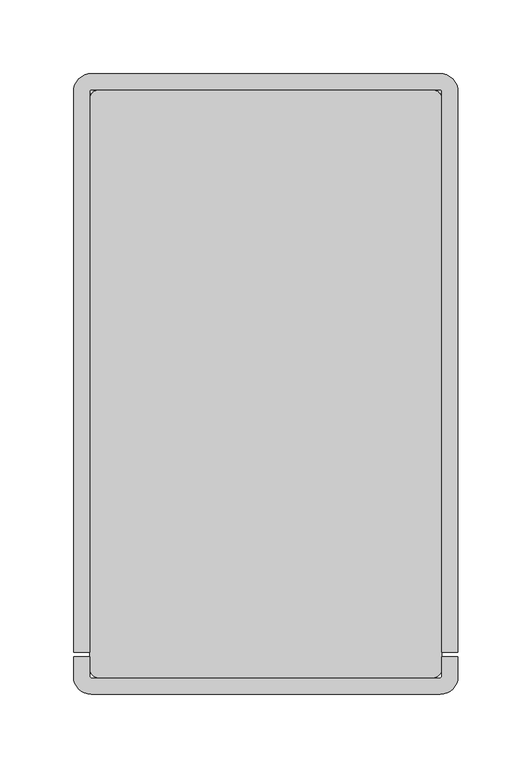
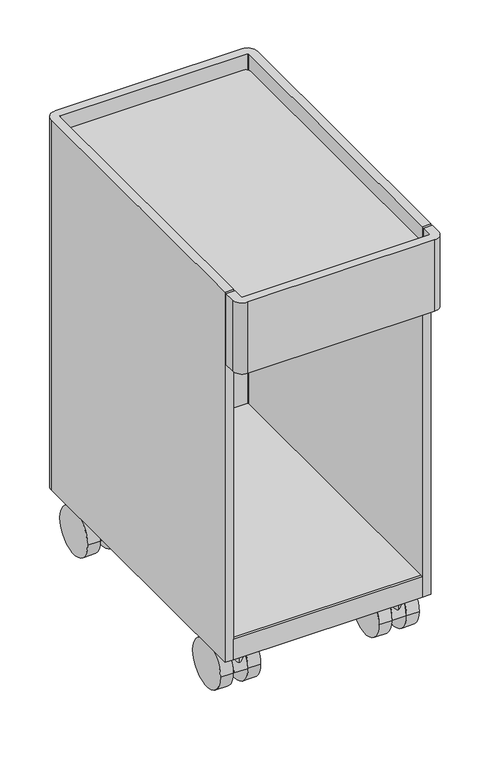
"""IFC4 building model written with IfcOpenShell, lengths in millimetres: furniture geometry."""

from ifc_helpers import new_model, si_unit, point, frame, frame_2d, origin, place, context, project, spatial, polyline, circle_curve, trimmed, segment, composite_curve, outline, extrude, source, transform, mapped, element, save
from ifc_brep_helpers import plane_surface, cylinder_surface, revolved_surface, advanced_brep


def furniture_9a9b9d6a(model_context):
    return source(origin(), model_context, "Body", "SolidModel", [
        advanced_brep(
        [(230.8338534, 392.1080568, 81.9865934), (230.8338534, 384.3838281, 81.9865934), (230.8338534, 388.2459425, 81.9865934), (230.8338534, 396.2469802, 60.9600009), (230.8338534, 380.2449047, 60.9600009), (230.8338534, 396.2469802, 30.4800005), (230.8338534, 380.2449047, 30.4800005), (230.8338534, 388.2459425, 30.4800005)],
        [
            (0, 1, circle_curve(frame((230.8338534, 388.2459425, 81.9865934), z_axis=(0.0, 0.0, 1.0), x_axis=(0.0, -1.0, 0.0)), 3.8621143)),
            (1, 2),
            (2, 0),
            (1, 0, circle_curve(frame((230.8338534, 388.2459425, 81.9865934), z_axis=(0.0, 0.0, 1.0), x_axis=(0.0, -1.0, 0.0)), 3.8621143)),
            (0, 3),
            (3, 4, circle_curve(frame((230.8338534, 388.2459425, 60.9600009), z_axis=(0.0, 0.0, 1.0), x_axis=(0.0, -1.0, 0.0)), 8.0010378)),
            (4, 1),
            (4, 3, circle_curve(frame((230.8338534, 388.2459425, 60.9600009), z_axis=(0.0, 0.0, 1.0), x_axis=(0.0, -1.0, 0.0)), 8.0010378)),
            (3, 5),
            (5, 6, circle_curve(frame((230.8338534, 388.2459425, 30.4800005), z_axis=(0.0, 0.0, 1.0), x_axis=(0.0, -1.0, 0.0)), 8.0010378)),
            (6, 4),
            (6, 5, circle_curve(frame((230.8338534, 388.2459425, 30.4800005), z_axis=(0.0, 0.0, 1.0), x_axis=(0.0, -1.0, 0.0)), 8.0010378)),
            (5, 7),
            (7, 6),
        ],
        [
            plane_surface(frame((230.8338534, 388.2459425, 81.9865934), z_axis=(0.0, 0.0, 1.0), x_axis=(0.0, -1.0, 0.0))),
            revolved_surface(polyline([(230.8338534, 384.3838281, 81.9865934), (230.8338534, 380.2449047, 60.9600009)]), (230.8338534, 388.2459425, 64.8312081), (0.0, 0.0, -1.0)),
            cylinder_surface(frame((230.8338534, 388.2459425, 64.8312081), z_axis=(0.0, 0.0, -1.0), x_axis=(0.0, -1.0, 0.0)), 8.0010378),
            plane_surface(frame((230.8338534, 388.2459425, 30.4800005), z_axis=(0.0, 0.0, -1.0), x_axis=(0.0, -1.0, 0.0))),
        ],
        [
            (0, [[1, 2, 3]]),
            (0, [[-2, 4, -3]]),
            (1, [[-1, 5, 6, 7]]),
            (1, [[-4, -7, 8, -5]]),
            (2, [[-6, 9, 10, 11]]),
            (2, [[-8, -11, 12, -9]]),
            (3, [[-10, 13, 14]]),
            (3, [[-12, -14, -13]]),
        ],
    ),
        extrude(outline(composite_curve([segment(trimmed(circle_curve(frame_2d((367.9259255, 30.4800005)), 30.4800005), [point((337.445925, 30.4800005))], [point((398.405926, 30.4800005))], False, "CARTESIAN"), True, "CONTINUOUS"), segment(trimmed(circle_curve(frame_2d((367.9259255, 30.4800005)), 30.4800005), [point((398.405926, 30.4800005))], [point((337.445925, 30.4800005))], False, "CARTESIAN"), True, "CONTINUOUS")], self_intersect=False)), frame((240.2318535, 0.0, 0.0), z_axis=(1.0, 0.0, 0.0), x_axis=(0.0, 1.0, 0.0)), (0.0, 0.0, 1.0), 16.0020006),
        extrude(outline(composite_curve([segment(trimmed(circle_curve(frame_2d((367.9259255, 30.4800005)), 30.4800005), [point((337.445925, 30.4800005))], [point((398.405926, 30.4800005))], False, "CARTESIAN"), True, "CONTINUOUS"), segment(trimmed(circle_curve(frame_2d((367.9259255, 30.4800005)), 30.4800005), [point((398.405926, 30.4800005))], [point((337.445925, 30.4800005))], False, "CARTESIAN"), True, "CONTINUOUS")], self_intersect=False)), frame((205.4338526, 0.0, 0.0), z_axis=(1.0, 0.0, 0.0), x_axis=(0.0, 1.0, 0.0)), (0.0, 0.0, 1.0), 16.0020008),
        extrude(outline(composite_curve([segment(trimmed(circle_curve(frame_2d((367.9259255, 30.4800005)), 30.4800005), [point((337.445925, 30.4800005))], [point((398.405926, 30.4800005))], False, "CARTESIAN"), True, "CONTINUOUS"), segment(polyline([(398.405926, 30.4800005), (337.445925, 30.4800005)]), True, "CONTINUOUS")], self_intersect=False)), frame((222.2935172, 0.0, 0.0), z_axis=(1.0, 0.0, 0.0), x_axis=(0.0, 1.0, 0.0)), (0.0, 0.0, 1.0), 17.0806723),
        advanced_brep(
        [(230.8338534, 56.2728064, 81.9865934), (230.8338534, 60.1349207, 81.9865934), (230.8338534, 52.410692, 81.9865934), (230.8338534, 64.2738442, 60.9600009), (230.8338534, 48.2717686, 60.9600009), (230.8338534, 64.2738442, 30.4800005), (230.8338534, 48.2717686, 30.4800005), (230.8338534, 56.2728064, 30.4800005)],
        [
            (0, 1),
            (1, 2, circle_curve(frame((230.8338534, 56.2728064, 81.9865934), z_axis=(0.0, 0.0, 1.0), x_axis=(0.0, 1.0, 0.0)), 3.8621143)),
            (2, 0),
            (2, 1, circle_curve(frame((230.8338534, 56.2728064, 81.9865934), z_axis=(0.0, 0.0, 1.0), x_axis=(0.0, 1.0, 0.0)), 3.8621143)),
            (1, 3),
            (3, 4, circle_curve(frame((230.8338534, 56.2728064, 60.9600009), z_axis=(0.0, 0.0, 1.0), x_axis=(0.0, 1.0, 0.0)), 8.0010378)),
            (4, 2),
            (4, 3, circle_curve(frame((230.8338534, 56.2728064, 60.9600009), z_axis=(0.0, 0.0, 1.0), x_axis=(0.0, 1.0, 0.0)), 8.0010378)),
            (3, 5),
            (5, 6, circle_curve(frame((230.8338534, 56.2728064, 30.4800005), z_axis=(0.0, 0.0, 1.0), x_axis=(0.0, 1.0, 0.0)), 8.0010378)),
            (6, 4),
            (6, 5, circle_curve(frame((230.8338534, 56.2728064, 30.4800005), z_axis=(0.0, 0.0, 1.0), x_axis=(0.0, 1.0, 0.0)), 8.0010378)),
            (5, 7),
            (7, 6),
        ],
        [
            plane_surface(frame((230.8338534, 56.2728064, 81.9865934), z_axis=(0.0, 0.0, 1.0), x_axis=(0.0, 1.0, 0.0))),
            revolved_surface(polyline([(230.8338534, 64.2738442, 60.9600009), (230.8338534, 60.1349207, 81.9865934)]), (230.8338534, 56.2728064, 64.8312081), (0.0, 0.0, 1.0)),
            cylinder_surface(frame((230.8338534, 56.2728064, 64.8312081), z_axis=(0.0, 0.0, 1.0), x_axis=(0.0, 1.0, 0.0)), 8.0010378),
            plane_surface(frame((230.8338534, 56.2728064, 30.4800005), z_axis=(0.0, 0.0, -1.0), x_axis=(0.0, 1.0, 0.0))),
        ],
        [
            (0, [[1, 2, 3]]),
            (0, [[-1, -3, 4]]),
            (1, [[-2, 5, 6, 7]]),
            (1, [[-4, -7, 8, -5]]),
            (2, [[-6, 9, 10, 11]]),
            (2, [[-8, -11, 12, -9]]),
            (3, [[-10, 13, 14]]),
            (3, [[-12, -14, -13]]),
        ],
    ),
        extrude(outline(composite_curve([segment(trimmed(circle_curve(frame_2d((76.5928234, 30.4800005)), 30.4800005), [point((46.1128229, 30.4800005))], [point((107.0728238, 30.4800005))], False, "CARTESIAN"), True, "CONTINUOUS"), segment(trimmed(circle_curve(frame_2d((76.5928234, 30.4800005)), 30.4800005), [point((107.0728238, 30.4800005))], [point((46.1128229, 30.4800005))], False, "CARTESIAN"), True, "CONTINUOUS")], self_intersect=False)), frame((240.2318535, 0.0, 0.0), z_axis=(1.0, 0.0, 0.0), x_axis=(0.0, 1.0, 0.0)), (0.0, 0.0, 1.0), 16.0020006),
        extrude(outline(composite_curve([segment(trimmed(circle_curve(frame_2d((76.5928234, 30.4800005)), 30.4800005), [point((107.0728238, 30.4800005))], [point((46.1128229, 30.4800005))], False, "CARTESIAN"), True, "CONTINUOUS"), segment(trimmed(circle_curve(frame_2d((76.5928234, 30.4800005)), 30.4800005), [point((46.1128229, 30.4800005))], [point((107.0728238, 30.4800005))], False, "CARTESIAN"), True, "CONTINUOUS")], self_intersect=False)), frame((205.4338526, 0.0, 0.0), z_axis=(1.0, 0.0, 0.0), x_axis=(0.0, 1.0, 0.0)), (0.0, 0.0, 1.0), 16.0020008),
        extrude(outline(composite_curve([segment(trimmed(circle_curve(frame_2d((76.5928234, 30.4800005)), 30.4800005), [point((46.1128229, 30.4800005))], [point((107.0728238, 30.4800005))], False, "CARTESIAN"), True, "CONTINUOUS"), segment(polyline([(107.0728238, 30.4800005), (46.1128229, 30.4800005)]), True, "CONTINUOUS")], self_intersect=False)), frame((222.2935172, 0.0, 0.0), z_axis=(1.0, 0.0, 0.0), x_axis=(0.0, 1.0, 0.0)), (0.0, 0.0, 1.0), 17.0806723),
        advanced_brep(
        [(30.1661494, 388.2459425, 81.9865934), (30.1661494, 384.3838281, 81.9865934), (30.1661494, 392.1080568, 81.9865934), (30.1661494, 380.2449047, 60.9600009), (30.1661494, 396.2469802, 60.9600009), (30.1661494, 380.2449047, 30.4800005), (30.1661494, 396.2469802, 30.4800005), (30.1661494, 388.2459425, 30.4800005)],
        [
            (0, 1),
            (1, 2, circle_curve(frame((30.1661494, 388.2459425, 81.9865934), z_axis=(0.0, 0.0, 1.0), x_axis=(0.0, -1.0, 0.0)), 3.8621143)),
            (2, 0),
            (2, 1, circle_curve(frame((30.1661494, 388.2459425, 81.9865934), z_axis=(0.0, 0.0, 1.0), x_axis=(0.0, -1.0, 0.0)), 3.8621143)),
            (1, 3),
            (3, 4, circle_curve(frame((30.1661494, 388.2459425, 60.9600009), z_axis=(0.0, 0.0, 1.0), x_axis=(0.0, -1.0, 0.0)), 8.0010378)),
            (4, 2),
            (4, 3, circle_curve(frame((30.1661494, 388.2459425, 60.9600009), z_axis=(0.0, 0.0, 1.0), x_axis=(0.0, -1.0, 0.0)), 8.0010378)),
            (3, 5),
            (5, 6, circle_curve(frame((30.1661494, 388.2459425, 30.4800005), z_axis=(0.0, 0.0, 1.0), x_axis=(0.0, -1.0, 0.0)), 8.0010378)),
            (6, 4),
            (6, 5, circle_curve(frame((30.1661494, 388.2459425, 30.4800005), z_axis=(0.0, 0.0, 1.0), x_axis=(0.0, -1.0, 0.0)), 8.0010378)),
            (5, 7),
            (7, 6),
        ],
        [
            plane_surface(frame((30.1661494, 388.2459425, 81.9865934), z_axis=(0.0, 0.0, 1.0), x_axis=(0.0, -1.0, 0.0))),
            revolved_surface(polyline([(30.1661494, 380.2449047, 60.9600009), (30.1661494, 384.3838281, 81.9865934)]), (30.1661494, 388.2459425, 64.8312081), (0.0, 0.0, 1.0)),
            cylinder_surface(frame((30.1661494, 388.2459425, 64.8312081), z_axis=(0.0, 0.0, 1.0), x_axis=(0.0, -1.0, 0.0)), 8.0010378),
            plane_surface(frame((30.1661494, 388.2459425, 30.4800005), z_axis=(0.0, 0.0, -1.0), x_axis=(0.0, -1.0, 0.0))),
        ],
        [
            (0, [[1, 2, 3]]),
            (0, [[-1, -3, 4]]),
            (1, [[-2, 5, 6, 7]]),
            (1, [[-4, -7, 8, -5]]),
            (2, [[-6, 9, 10, 11]]),
            (2, [[-8, -11, 12, -9]]),
            (3, [[-10, 13, 14]]),
            (3, [[-12, -14, -13]]),
        ],
    ),
        extrude(outline(composite_curve([segment(trimmed(circle_curve(frame_2d((367.9259255, 30.4800005)), 30.4800005), [point((337.445925, 30.4800005))], [point((398.405926, 30.4800005))], False, "CARTESIAN"), True, "CONTINUOUS"), segment(trimmed(circle_curve(frame_2d((367.9259255, 30.4800005)), 30.4800005), [point((398.405926, 30.4800005))], [point((337.445925, 30.4800005))], False, "CARTESIAN"), True, "CONTINUOUS")], self_intersect=False)), frame((4.7661486, 0.0, 0.0), z_axis=(1.0, 0.0, 0.0), x_axis=(0.0, 1.0, 0.0)), (0.0, 0.0, 1.0), 16.0020006),
        extrude(outline(composite_curve([segment(trimmed(circle_curve(frame_2d((367.9259255, 30.4800005)), 30.4800005), [point((337.445925, 30.4800005))], [point((398.405926, 30.4800005))], False, "CARTESIAN"), True, "CONTINUOUS"), segment(trimmed(circle_curve(frame_2d((367.9259255, 30.4800005)), 30.4800005), [point((398.405926, 30.4800005))], [point((337.445925, 30.4800005))], False, "CARTESIAN"), True, "CONTINUOUS")], self_intersect=False)), frame((39.5641494, 0.0, 0.0), z_axis=(1.0, 0.0, 0.0), x_axis=(0.0, 1.0, 0.0)), (0.0, 0.0, 1.0), 16.0020008),
        extrude(outline(composite_curve([segment(trimmed(circle_curve(frame_2d((367.9259255, 30.4800005)), 30.4800005), [point((337.445925, 30.4800005))], [point((398.405926, 30.4800005))], False, "CARTESIAN"), True, "CONTINUOUS"), segment(polyline([(398.405926, 30.4800005), (337.445925, 30.4800005)]), True, "CONTINUOUS")], self_intersect=False)), frame((21.6258132, 0.0, 0.0), z_axis=(1.0, 0.0, 0.0), x_axis=(0.0, 1.0, 0.0)), (0.0, 0.0, 1.0), 17.0806723),
        advanced_brep(
        [(30.1661494, 52.410692, 81.9865934), (30.1661494, 60.1349207, 81.9865934), (30.1661494, 56.2728064, 81.9865934), (30.1661494, 48.2717686, 60.9600009), (30.1661494, 64.2738442, 60.9600009), (30.1661494, 48.2717686, 30.4800005), (30.1661494, 64.2738442, 30.4800005), (30.1661494, 56.2728064, 30.4800005)],
        [
            (0, 1, circle_curve(frame((30.1661494, 56.2728064, 81.9865934), z_axis=(0.0, 0.0, 1.0), x_axis=(0.0, 1.0, 0.0)), 3.8621143)),
            (1, 2),
            (2, 0),
            (1, 0, circle_curve(frame((30.1661494, 56.2728064, 81.9865934), z_axis=(0.0, 0.0, 1.0), x_axis=(0.0, 1.0, 0.0)), 3.8621143)),
            (3, 4, circle_curve(frame((30.1661494, 56.2728064, 60.9600009), z_axis=(0.0, 0.0, 1.0), x_axis=(0.0, 1.0, 0.0)), 8.0010378)),
            (4, 1),
            (0, 3),
            (4, 3, circle_curve(frame((30.1661494, 56.2728064, 60.9600009), z_axis=(0.0, 0.0, 1.0), x_axis=(0.0, 1.0, 0.0)), 8.0010378)),
            (5, 6, circle_curve(frame((30.1661494, 56.2728064, 30.4800005), z_axis=(0.0, 0.0, 1.0), x_axis=(0.0, 1.0, 0.0)), 8.0010378)),
            (6, 4),
            (3, 5),
            (6, 5, circle_curve(frame((30.1661494, 56.2728064, 30.4800005), z_axis=(0.0, 0.0, 1.0), x_axis=(0.0, 1.0, 0.0)), 8.0010378)),
            (7, 6),
            (5, 7),
        ],
        [
            plane_surface(frame((30.1661494, 56.2728064, 81.9865934), z_axis=(0.0, 0.0, 1.0), x_axis=(0.0, 1.0, 0.0))),
            revolved_surface(polyline([(30.1661494, 60.1349207, 81.9865934), (30.1661494, 64.2738442, 60.9600009)]), (30.1661494, 56.2728064, 64.8312081), (0.0, 0.0, -1.0)),
            cylinder_surface(frame((30.1661494, 56.2728064, 64.8312081), z_axis=(0.0, 0.0, -1.0), x_axis=(0.0, 1.0, 0.0)), 8.0010378),
            plane_surface(frame((30.1661494, 56.2728064, 30.4800005), z_axis=(0.0, 0.0, -1.0), x_axis=(0.0, 1.0, 0.0))),
        ],
        [
            (0, [[1, 2, 3]]),
            (0, [[4, -3, -2]]),
            (1, [[5, 6, -1, 7]]),
            (1, [[8, -7, -4, -6]]),
            (2, [[9, 10, -5, 11]]),
            (2, [[12, -11, -8, -10]]),
            (3, [[13, -9, 14]]),
            (3, [[-14, -12, -13]]),
        ],
    ),
        advanced_brep(
        [(4.7661486, 107.0728238, 30.4800005), (4.7661486, 46.1128229, 30.4800005), (20.7681494, 107.0728238, 30.4800005), (20.7681494, 76.5928234, 0.0), (20.7681494, 46.1128229, 30.4800005)],
        [
            (0, 1, circle_curve(frame((4.7661486, 76.5928234, 30.4800005), z_axis=(-1.0, 0.0, 0.0), x_axis=(0.0, -1.0, 0.0)), 30.4800005)),
            (1, 0, circle_curve(frame((4.7661486, 76.5928234, 30.4800005), z_axis=(-1.0, 0.0, 0.0), x_axis=(0.0, -1.0, 0.0)), 30.4800005)),
            (0, 2),
            (2, 3, circle_curve(frame((20.7681494, 76.5928234, 30.4800005), z_axis=(-1.0, 0.0, 0.0), x_axis=(0.0, -1.0, 0.0)), 30.4800005)),
            (3, 4, circle_curve(frame((20.7681494, 76.5928234, 30.4800005), z_axis=(-1.0, 0.0, 0.0), x_axis=(0.0, -1.0, 0.0)), 30.4800005)),
            (4, 1),
            (4, 2, circle_curve(frame((20.7681494, 76.5928234, 30.4800005), z_axis=(-1.0, 0.0, 0.0), x_axis=(0.0, -1.0, 0.0)), 30.4800005)),
        ],
        [
            plane_surface(frame((4.7661486, 46.1128229, 30.4800005), z_axis=(-1.0, 0.0, 0.0), x_axis=(0.0, 0.0, 1.0))),
            cylinder_surface(frame((55.5661501, 76.5928234, 30.4800005), z_axis=(-1.0, 0.0, 0.0), x_axis=(0.0, -1.0, 0.0)), 30.4800005),
            plane_surface(frame((20.7681494, 107.0728238, 64.8312081), z_axis=(1.0, 0.0, 0.0), x_axis=(0.0, 0.0, -1.0))),
        ],
        [
            (0, [[1, 2]]),
            (1, [[-1, 3, 4, 5, 6]]),
            (1, [[-2, -6, 7, -3]]),
            (2, [[-4, -7, -5]]),
        ],
    ),
        advanced_brep(
        [(55.5661501, 107.0728238, 30.4800005), (55.5661501, 46.1128229, 30.4800005), (39.5641494, 46.1128229, 30.4800005), (39.5641494, 76.5928234, 0.0), (39.5641494, 107.0728238, 30.4800005)],
        [
            (0, 1, circle_curve(frame((55.5661501, 76.5928234, 30.4800005), z_axis=(1.0, 0.0, 0.0), x_axis=(0.0, -1.0, 0.0)), 30.4800005)),
            (1, 0, circle_curve(frame((55.5661501, 76.5928234, 30.4800005), z_axis=(1.0, 0.0, 0.0), x_axis=(0.0, -1.0, 0.0)), 30.4800005)),
            (1, 2),
            (2, 3, circle_curve(frame((39.5641494, 76.5928234, 30.4800005), z_axis=(1.0, 0.0, 0.0), x_axis=(0.0, -1.0, 0.0)), 30.4800005)),
            (3, 4, circle_curve(frame((39.5641494, 76.5928234, 30.4800005), z_axis=(1.0, 0.0, 0.0), x_axis=(0.0, -1.0, 0.0)), 30.4800005)),
            (4, 0),
            (4, 2, circle_curve(frame((39.5641494, 76.5928234, 30.4800005), z_axis=(1.0, 0.0, 0.0), x_axis=(0.0, -1.0, 0.0)), 30.4800005)),
        ],
        [
            plane_surface(frame((55.5661501, 46.1128229, 30.4800005), z_axis=(1.0, 0.0, 0.0), x_axis=(0.0, 0.0, -1.0))),
            cylinder_surface(frame((55.5661501, 76.5928234, 30.4800005), z_axis=(-1.0, 0.0, 0.0), x_axis=(0.0, -1.0, 0.0)), 30.4800005),
            plane_surface(frame((39.5641494, 46.1128229, 64.8312081), z_axis=(-1.0, 0.0, 0.0), x_axis=(0.0, 0.0, -1.0))),
        ],
        [
            (0, [[1, 2]]),
            (1, [[-2, 3, 4, 5, 6]]),
            (1, [[-1, -6, 7, -3]]),
            (2, [[-5, -4, -7]]),
        ],
    ),
        advanced_brep(
        [(38.7064855, 46.1128229, 30.4800005), (38.7064855, 107.0728238, 30.4800005), (21.6258132, 107.0728238, 30.4800005), (21.6258132, 46.1128229, 30.4800005)],
        [
            (0, 1, circle_curve(frame((38.7064855, 76.5928234, 30.4800005), z_axis=(-1.0, 0.0, 0.0), x_axis=(0.0, -1.0, 0.0)), 30.4800005)),
            (1, 2),
            (2, 3, circle_curve(frame((21.6258132, 76.5928234, 30.4800005), z_axis=(1.0, 0.0, 0.0), x_axis=(0.0, -1.0, 0.0)), 30.4800005)),
            (3, 0),
            (0, 1),
            (2, 3),
        ],
        [
            cylinder_surface(frame((55.5661501, 76.5928234, 30.4800005), z_axis=(-1.0, 0.0, 0.0), x_axis=(0.0, -1.0, 0.0)), 30.4800005),
            plane_surface(frame((38.7064855, 107.0728238, 64.8312081), z_axis=(1.0, 0.0, 0.0), x_axis=(0.0, 0.0, -1.0))),
            plane_surface(frame((21.6258132, 46.1128229, 64.8312081), z_axis=(-1.0, 0.0, 0.0), x_axis=(0.0, 0.0, -1.0))),
            plane_surface(frame((39.5641494, 107.0728238, 30.4800005), z_axis=(0.0, 0.0, -1.0), x_axis=(-1.0, 0.0, 0.0))),
        ],
        [
            (0, [[1, 2, 3, 4]]),
            (1, [[-1, 5]]),
            (2, [[-3, 6]]),
            (3, [[-2, -5, -4, -6]]),
        ],
    ),
        extrude(outline(polyline([(250.0087041, 28.4999932), (10.9912986, 28.4999932), (10.9912986, 31.5479932), (250.0087041, 31.5479932), (250.0087041, 28.4999932)])), frame((0.0, 0.0, 62.7640559), z_axis=(0.0, 0.0, 1.0), x_axis=(1.0, 0.0, 0.0)), (0.0, 0.0, 1.0), 27.3200257),
        extrude(outline(composite_curve([segment(trimmed(circle_curve(frame_2d((243.6587041, 404.1587003)), 6.35), [point((243.6587041, 410.5087003))], [point((250.0087041, 404.1587003))], False, "CARTESIAN"), True, "CONTINUOUS"), segment(polyline([(250.0087041, 404.1587003), (250.0087041, 17.3412986)]), True, "CONTINUOUS"), segment(trimmed(circle_curve(frame_2d((243.6587041, 17.3412986)), 6.35), [point((250.0087041, 17.3412986))], [point((243.6587041, 10.9912986))], False, "CARTESIAN"), True, "CONTINUOUS"), segment(polyline([(243.6587041, 10.9912986), (17.3412986, 10.9912986)]), True, "CONTINUOUS"), segment(trimmed(circle_curve(frame_2d((17.3412986, 17.3412986)), 6.35), [point((17.3412986, 10.9912986))], [point((10.9912986, 17.3412986))], False, "CARTESIAN"), True, "CONTINUOUS"), segment(polyline([(10.9912986, 17.3412986), (10.9912986, 404.1587003)]), True, "CONTINUOUS"), segment(trimmed(circle_curve(frame_2d((17.3412986, 404.1587003)), 6.35), [point((10.9912986, 404.1587003))], [point((17.3412986, 410.5087003))], False, "CARTESIAN"), True, "CONTINUOUS"), segment(polyline([(17.3412986, 410.5087003), (243.6587041, 410.5087003)]), True, "CONTINUOUS")], self_intersect=False)), frame((0.0, 0.0, 527.4118917), z_axis=(0.0, 0.0, 1.0), x_axis=(1.0, 0.0, 0.0)), (0.0, 0.0, 1.0), 10.16),
        extrude(outline(composite_curve([segment(polyline([(250.0087041, 25.5000015), (261.0000027, 25.5000015), (261.0000027, 11.9509481)]), True, "CONTINUOUS"), segment(trimmed(circle_curve(frame_2d((249.0490547, 11.9509481)), 11.9509481), [point((261.0000027, 11.9509481))], [point((249.0490547, 0.0))], False, "CARTESIAN"), True, "CONTINUOUS"), segment(polyline([(249.0490547, 0.0), (11.9689086, 0.0)]), True, "CONTINUOUS"), segment(trimmed(circle_curve(frame_2d((11.9689086, 11.9689086)), 11.9689086), [point((11.9689086, 0.0))], [point((0.0, 11.9689086))], False, "CARTESIAN"), True, "CONTINUOUS"), segment(polyline([(0.0, 11.9689086), (0.0, 25.5000015), (10.9912986, 25.5000015), (10.9912986, 11.8911967)]), True, "CONTINUOUS"), segment(trimmed(circle_curve(frame_2d((11.8911967, 11.8911967)), 0.8998981), [point((10.9912986, 11.8911967))], [point((11.8911967, 10.9912986))], True, "CARTESIAN"), True, "CONTINUOUS"), segment(polyline([(11.8911967, 10.9912986), (249.0537338, 10.9912986)]), True, "CONTINUOUS"), segment(trimmed(circle_curve(frame_2d((249.0537338, 11.9462689)), 0.9549703), [point((249.0537338, 10.9912986))], [point((250.0087041, 11.9462689))], True, "CARTESIAN"), True, "CONTINUOUS"), segment(polyline([(250.0087041, 11.9462689), (250.0087041, 25.5000015)]), True, "CONTINUOUS")], self_intersect=False)), frame((0.0, 0.0, 462.6418917), z_axis=(0.0, 0.0, 1.0), x_axis=(1.0, 0.0, 0.0)), (0.0, 0.0, 1.0), 95.25),
        extrude(outline(polyline([(250.0087041, 410.5087003), (250.0087041, 31.5479932), (10.9912986, 31.5479932), (10.9912986, 410.5087003), (250.0087041, 410.5087003)])), frame((0.0, 0.0, 73.8130559), z_axis=(0.0, 0.0, 1.0), x_axis=(1.0, 0.0, 0.0)), (0.0, 0.0, 1.0), 16.2710257),
        extrude(outline(composite_curve([segment(trimmed(circle_curve(frame_2d((248.8080027, 409.3079989)), 12.192), [point((248.8080027, 421.4999989))], [point((261.0000027, 409.3079989))], False, "CARTESIAN"), True, "CONTINUOUS"), segment(polyline([(261.0000027, 409.3079989), (261.0000027, 28.4999932), (250.0087041, 28.4999932), (250.0087041, 409.4565578)]), True, "CONTINUOUS"), segment(trimmed(circle_curve(frame_2d((248.9565617, 409.4565578)), 1.0521425), [point((250.0087041, 409.4565578))], [point((248.9565617, 410.5087003))], True, "CARTESIAN"), True, "CONTINUOUS"), segment(polyline([(248.9565617, 410.5087003), (12.0072986, 410.5087003)]), True, "CONTINUOUS"), segment(trimmed(circle_curve(frame_2d((12.0072986, 409.4927003)), 1.016), [point((12.0072986, 410.5087003))], [point((10.9912986, 409.4927003))], True, "CARTESIAN"), True, "CONTINUOUS"), segment(polyline([(10.9912986, 409.4927003), (10.9912986, 28.4999932), (0.0, 28.4999932), (0.0, 409.3079989)]), True, "CONTINUOUS"), segment(trimmed(circle_curve(frame_2d((12.192, 409.3079989)), 12.192), [point((0.0, 409.3079989))], [point((12.192, 421.4999989))], False, "CARTESIAN"), True, "CONTINUOUS"), segment(polyline([(12.192, 421.4999989), (248.8080027, 421.4999989)]), True, "CONTINUOUS")], self_intersect=False)), frame((0.0, 0.0, 62.7640559), z_axis=(0.0, 0.0, 1.0), x_axis=(1.0, 0.0, 0.0)), (0.0, 0.0, 1.0), 495.1278357),
    ])


if __name__ == "__main__":
    model = new_model("IFC4")
    model_context = context("Model", 3, world=origin())
    ifc_project = project(units=[si_unit("LENGTHUNIT", "METRE", prefix="MILLI")], contexts=[model_context])
    site = spatial("IfcSite", under=ifc_project)
    building = spatial("IfcBuilding", under=site)
    placement = place(None, origin())
    furniture_shape = furniture_9a9b9d6a(model_context)
    element("IfcFurniture", 1, at=placement, inside=building, context=model_context, shape_type="MappedRepresentation", body=[
        mapped(furniture_shape, transform((0.0, 0.0, 0.0), x_axis=(1.0, 0.0, 0.0), y_axis=(0.0, 1.0, 0.0), z_axis=(0.0, 0.0, 1.0))),
    ])
    save(model, "model.ifc")
